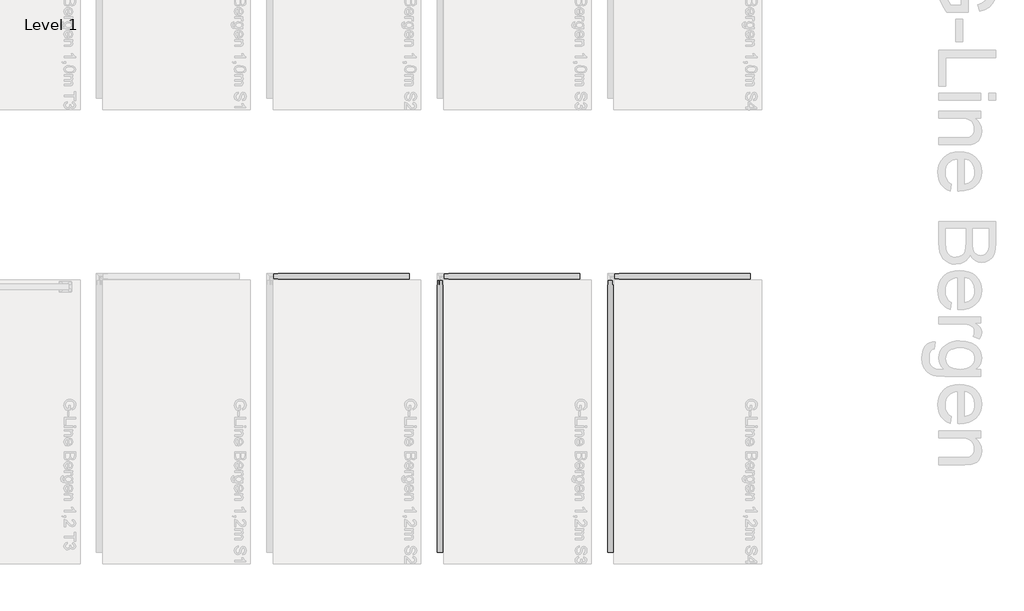
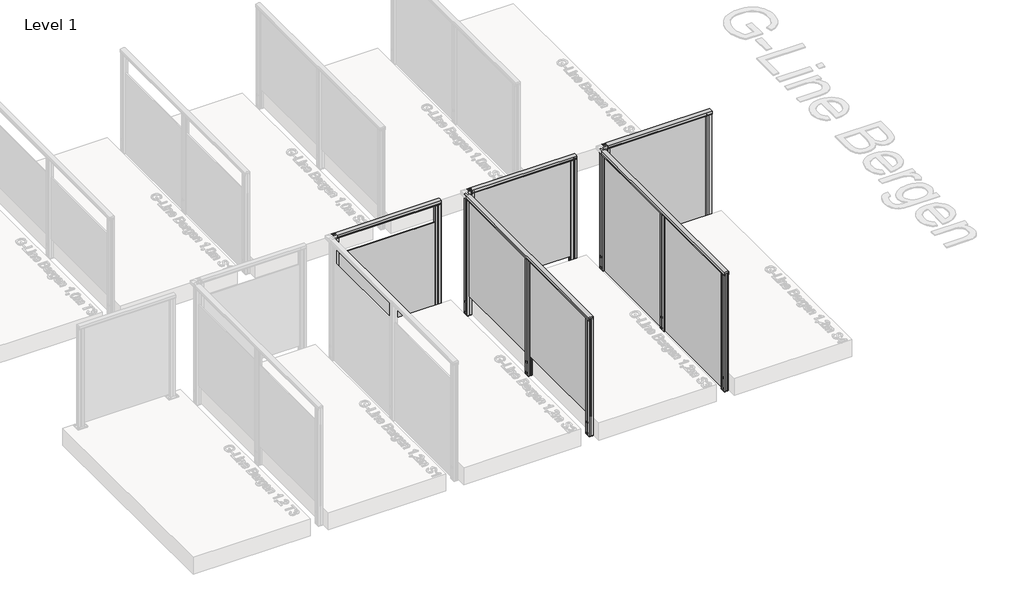
# One storey, part 4 of 13: 5 railings.
"""IFC4 building model written with IfcOpenShell, lengths in millimetres."""

from ifc_helpers import new_model, si_unit, point, frame, frame_2d, origin, place, context, project, spatial, polyline, circle_curve, trimmed, segment, composite_curve, outline, extrude, element, save

model = new_model("IFC4")

# Units and contexts
model_context = context("Model", 3, world=origin())
ifc_project = project(units=[si_unit("LENGTHUNIT", "METRE", prefix="MILLI")], contexts=[model_context])

# Site, building, storey
site = spatial("IfcSite", under=ifc_project)
building = spatial("IfcBuilding", under=site)
storey = spatial("IfcBuildingStorey", under=building, Name="Level 1", Elevation=0.0)

# Railings
placement = place(None, origin())
element("IfcRailing", 1, at=placement, inside=storey, context=model_context, shape_type="SweptSolid", body=[
    extrude(outline(composite_curve([segment(trimmed(circle_curve(frame_2d((-1608.9305341, 1142.6785502)), 57.3235687), [point((-1634.1854943, 1194.1390059))], [point((-1583.6658361, 1194.1342258))], False, "CARTESIAN"), True, "CONTINUOUS"), segment(polyline([(-1583.6658361, 1194.1342258), (-1583.6658361, 1167.0235023), (-1584.2477678, 1166.4415706), (-1583.6256867, 1165.8194895), (-1583.6256867, 1157.2498847), (-1585.4306396, 1157.2498847), (-1585.4306396, 1180.4998829), (-1632.4256858, 1180.4998829), (-1632.4256858, 1157.2498847), (-1634.1854943, 1157.2498847), (-1634.1854943, 1165.9694895), (-1633.5707113, 1166.5842725), (-1634.1854943, 1167.1990555), (-1634.1854943, 1194.1390059)]), True, "CONTINUOUS")], self_intersect=False)), frame((-1292.7109978, 0.0, 0.0), z_axis=(1.0, 0.0, 0.0), x_axis=(0.0, 1.0, 0.0)), (0.0, 0.0, 1.0), 1195.0),
    extrude(outline(polyline([(-97.7109978, -1608.7502932), (-97.7109978, -1610.6139761), (-1292.7109978, -1610.6139761), (-1292.7109978, -1608.7502932), (-97.7109978, -1608.7502932)])), frame((0.0, 0.0, -200.0), z_axis=(0.0, 0.0, 1.0), x_axis=(1.0, 0.0, 0.0)), (0.0, 0.0, 1.0), 1.1703418),
    extrude(outline(polyline([(-97.7109978, -1605.2659103), (-97.7109978, -1614.0259103), (-1292.7109978, -1614.0259103), (-1292.7109978, -1605.2659103), (-97.7109978, -1605.2659103)])), frame((0.0, 0.0, -200.0), z_axis=(0.0, 0.0, 1.0), x_axis=(1.0, 0.0, 0.0)), (0.0, 0.0, 1.0), 1150.0),
    extrude(outline(polyline([(-1292.7094047, -1613.9917723), (-1275.2094049, -1613.9943495), (-1275.2081148, -1605.2343496), (-1292.7081146, -1605.2317724), (-1292.7054557, -1587.176965), (-1263.5884687, -1587.181253), (-1262.7103053, -1588.0596751), (-1261.6724374, -1587.1413428), (-1232.7054505, -1587.1456087), (-1232.7081153, -1605.2406085), (-1250.2081151, -1605.2380313), (-1250.2094052, -1613.9980312), (-1232.7094054, -1614.0006084), (-1232.7120717, -1632.1055595), (-1261.7285472, -1632.1012863), (-1262.7166457, -1631.1128967), (-1263.7450899, -1632.141038), (-1292.7120769, -1632.1367721), (-1292.7094047, -1613.9917723)]), holes=[polyline([(-1253.9117828, -1589.1398947), (-1271.5057446, -1589.1398947), (-1271.5057446, -1630.1424862), (-1253.9117828, -1630.1424862), (-1253.9117828, -1589.1398947)]), polyline([(-1234.711783, -1615.9977809), (-1251.9096997, -1615.9977809), (-1251.9096997, -1630.1453137), (-1234.711783, -1630.1453137), (-1234.711783, -1615.9977809)]), polyline([(-1234.7078207, -1589.1398947), (-1251.9057444, -1589.1398947), (-1251.9057444, -1603.240314), (-1234.7078207, -1603.240314), (-1234.7078207, -1589.1398947)]), polyline([(-1273.5117826, -1615.9920668), (-1290.7096993, -1615.9920668), (-1290.7096993, -1630.1395997), (-1273.5117826, -1630.1395997), (-1273.5117826, -1615.9920668)]), polyline([(-1273.5078203, -1589.0870671), (-1290.705737, -1589.0870671), (-1290.705737, -1603.2346), (-1273.5078203, -1603.2346), (-1273.5078203, -1589.0870671)])]), frame((0.0, 0.0, -200.0), z_axis=(0.0, 0.0, 1.0), x_axis=(1.0, 0.0, 0.0)), (0.0, 0.0, 1.0), 1381.0),
    extrude(outline(polyline([(-1292.7094047, -1613.9917723), (-1275.2094049, -1613.9943495), (-1275.2081148, -1605.2343496), (-1292.7081146, -1605.2317724), (-1292.7054557, -1587.176965), (-1263.5884687, -1587.181253), (-1262.7103053, -1588.0596751), (-1261.6724374, -1587.1413428), (-1232.7054505, -1587.1456087), (-1232.7081153, -1605.2406085), (-1250.2081151, -1605.2380313), (-1250.2094052, -1613.9980312), (-1232.7094054, -1614.0006084), (-1232.7120717, -1632.1055595), (-1261.7285472, -1632.1012863), (-1262.7166457, -1631.1128967), (-1263.7450899, -1632.141038), (-1292.7120769, -1632.1367721), (-1292.7094047, -1613.9917723)])), frame((0.0, 0.0, -202.0233958), z_axis=(0.0, 0.0, 1.0), x_axis=(1.0, 0.0, 0.0)), (0.0, 0.0, 1.0), 2.0),
    extrude(outline(composite_curve([segment(trimmed(circle_curve(frame_2d((0.0, 12.0)), 12.0), [point((0.0, 24.0))], [point((0.0, 0.0))], False, "CARTESIAN"), True, "CONTINUOUS"), segment(trimmed(circle_curve(frame_2d((0.0, 12.0)), 12.0), [point((0.0, 0.0))], [point((0.0, 24.0))], False, "CARTESIAN"), True, "CONTINUOUS")], self_intersect=False)), frame((-1250.7019602, -1587.1864452, -175.0), z_axis=(0.00040291834470155966, 0.9999999188284006, 0.0), x_axis=(0.0, 0.0, -1.0)), (0.0, 0.0, 1.0), 3.0757477),
    extrude(outline(composite_curve([segment(trimmed(circle_curve(frame_2d((0.0, 12.0)), 12.0), [point((0.0, 24.0))], [point((0.0, 0.0))], False, "CARTESIAN"), True, "CONTINUOUS"), segment(trimmed(circle_curve(frame_2d((0.0, 12.0)), 12.0), [point((0.0, 0.0))], [point((0.0, 24.0))], False, "CARTESIAN"), True, "CONTINUOUS")], self_intersect=False)), frame((-1250.7019602, -1587.1864452, -50.0), z_axis=(0.00040291834470155966, 0.9999999188284006, 0.0), x_axis=(0.0, 0.0, -1.0)), (0.0, 0.0, 1.0), 3.0757477),
    extrude(outline(polyline([(-157.7094047, -1613.9917723), (-140.2094049, -1613.9943495), (-140.2081148, -1605.2343496), (-157.7081146, -1605.2317724), (-157.7054557, -1587.176965), (-128.5884687, -1587.181253), (-127.7103053, -1588.0596751), (-126.6724374, -1587.1413428), (-97.7054505, -1587.1456087), (-97.7081153, -1605.2406085), (-115.2081151, -1605.2380313), (-115.2094052, -1613.9980312), (-97.7094054, -1614.0006084), (-97.7120717, -1632.1055595), (-126.7285472, -1632.1012863), (-127.7166457, -1631.1128967), (-128.7450899, -1632.141038), (-157.7120769, -1632.1367721), (-157.7094047, -1613.9917723)]), holes=[polyline([(-118.9117828, -1589.1398947), (-136.5057446, -1589.1398947), (-136.5057446, -1630.1424862), (-118.9117828, -1630.1424862), (-118.9117828, -1589.1398947)]), polyline([(-99.711783, -1615.9977809), (-116.9096997, -1615.9977809), (-116.9096997, -1630.1453137), (-99.711783, -1630.1453137), (-99.711783, -1615.9977809)]), polyline([(-99.7078207, -1589.1398947), (-116.9057444, -1589.1398947), (-116.9057444, -1603.240314), (-99.7078207, -1603.240314), (-99.7078207, -1589.1398947)]), polyline([(-138.5117826, -1615.9920668), (-155.7096993, -1615.9920668), (-155.7096993, -1630.1395997), (-138.5117826, -1630.1395997), (-138.5117826, -1615.9920668)]), polyline([(-138.5078203, -1589.0870671), (-155.705737, -1589.0870671), (-155.705737, -1603.2346), (-138.5078203, -1603.2346), (-138.5078203, -1589.0870671)])]), frame((0.0, 0.0, -200.0), z_axis=(0.0, 0.0, 1.0), x_axis=(1.0, 0.0, 0.0)), (0.0, 0.0, 1.0), 1381.0),
    extrude(outline(polyline([(-157.7094047, -1613.9917723), (-140.2094049, -1613.9943495), (-140.2081148, -1605.2343496), (-157.7081146, -1605.2317724), (-157.7054557, -1587.176965), (-128.5884687, -1587.181253), (-127.7103053, -1588.0596751), (-126.6724374, -1587.1413428), (-97.7054505, -1587.1456087), (-97.7081153, -1605.2406085), (-115.2081151, -1605.2380313), (-115.2094052, -1613.9980312), (-97.7094054, -1614.0006084), (-97.7120717, -1632.1055595), (-126.7285472, -1632.1012863), (-127.7166457, -1631.1128967), (-128.7450899, -1632.141038), (-157.7120769, -1632.1367721), (-157.7094047, -1613.9917723)])), frame((0.0, 0.0, -202.0233958), z_axis=(0.0, 0.0, 1.0), x_axis=(1.0, 0.0, 0.0)), (0.0, 0.0, 1.0), 2.0),
    extrude(outline(composite_curve([segment(trimmed(circle_curve(frame_2d((0.0, 12.0)), 12.0), [point((0.0, 24.0))], [point((0.0, 0.0))], False, "CARTESIAN"), True, "CONTINUOUS"), segment(trimmed(circle_curve(frame_2d((0.0, 12.0)), 12.0), [point((0.0, 0.0))], [point((0.0, 24.0))], False, "CARTESIAN"), True, "CONTINUOUS")], self_intersect=False)), frame((-115.7019602, -1587.1864452, -175.0), z_axis=(0.00040291834470155966, 0.9999999188284006, 0.0), x_axis=(0.0, 0.0, -1.0)), (0.0, 0.0, 1.0), 3.0757477),
    extrude(outline(composite_curve([segment(trimmed(circle_curve(frame_2d((0.0, 12.0)), 12.0), [point((0.0, 24.0))], [point((0.0, 0.0))], False, "CARTESIAN"), True, "CONTINUOUS"), segment(trimmed(circle_curve(frame_2d((0.0, 12.0)), 12.0), [point((0.0, 0.0))], [point((0.0, 24.0))], False, "CARTESIAN"), True, "CONTINUOUS")], self_intersect=False)), frame((-115.7019602, -1587.1864452, -50.0), z_axis=(0.00040291834470155966, 0.9999999188284006, 0.0), x_axis=(0.0, 0.0, -1.0)), (0.0, 0.0, 1.0), 3.0757477),
])
element("IfcRailing", 2, at=placement, inside=storey, context=model_context, shape_type="SweptSolid", body=[
    extrude(outline(composite_curve([segment(trimmed(circle_curve(frame_2d((-1608.9305341, 1142.6785502)), 57.3235687), [point((-1634.1854943, 1194.1390059))], [point((-1583.6658361, 1194.1342258))], False, "CARTESIAN"), True, "CONTINUOUS"), segment(polyline([(-1583.6658361, 1194.1342258), (-1583.6658361, 1167.0235023), (-1584.2477678, 1166.4415706), (-1583.6256867, 1165.8194895), (-1583.6256867, 1157.2498847), (-1585.4306396, 1157.2498847), (-1585.4306396, 1180.4998829), (-1632.4256858, 1180.4998829), (-1632.4256858, 1157.2498847), (-1634.1854943, 1157.2498847), (-1634.1854943, 1165.9694895), (-1633.5707113, 1166.5842725), (-1634.1854943, 1167.1990555), (-1634.1854943, 1194.1390059)]), True, "CONTINUOUS")], self_intersect=False)), frame((207.2890022, 0.0, 0.0), z_axis=(1.0, 0.0, 0.0), x_axis=(0.0, 1.0, 0.0)), (0.0, 0.0, 1.0), 1195.0),
    extrude(outline(polyline([(1402.2890022, -1605.2659103), (1402.2890022, -1614.0259103), (207.2890022, -1614.0259103), (207.2890022, -1605.2659103), (1402.2890022, -1605.2659103)])), frame((0.0, 0.0, 28.0), z_axis=(0.0, 0.0, 1.0), x_axis=(1.0, 0.0, 0.0)), (0.0, 0.0, 1.0), 1152.0),
    extrude(outline(polyline([(207.2905953, -1613.9917723), (224.7905951, -1613.9943495), (224.7918852, -1605.2343496), (207.2918854, -1605.2317724), (207.2945443, -1587.176965), (236.4115313, -1587.181253), (237.2896947, -1588.0596751), (238.3275626, -1587.1413428), (267.2945495, -1587.1456087), (267.2918847, -1605.2406085), (249.7918849, -1605.2380313), (249.7905948, -1613.9980312), (267.2905946, -1614.0006084), (267.2879283, -1632.1055595), (238.2714528, -1632.1012863), (237.2833543, -1631.1128967), (236.2549101, -1632.141038), (207.2879231, -1632.1367721), (207.2905953, -1613.9917723)]), holes=[polyline([(246.0882172, -1589.1398947), (228.4942554, -1589.1398947), (228.4942554, -1630.1424862), (246.0882172, -1630.1424862), (246.0882172, -1589.1398947)]), polyline([(265.288217, -1615.9977809), (248.0903003, -1615.9977809), (248.0903003, -1630.1453137), (265.288217, -1630.1453137), (265.288217, -1615.9977809)]), polyline([(265.2921793, -1589.1398947), (248.0942556, -1589.1398947), (248.0942556, -1603.240314), (265.2921793, -1603.240314), (265.2921793, -1589.1398947)]), polyline([(226.4882174, -1615.9920668), (209.2903007, -1615.9920668), (209.2903007, -1630.1395997), (226.4882174, -1630.1395997), (226.4882174, -1615.9920668)]), polyline([(226.4921797, -1589.0870671), (209.294263, -1589.0870671), (209.294263, -1603.2346), (226.4921797, -1603.2346), (226.4921797, -1589.0870671)])]), frame((0.0, 0.0, -200.0), z_axis=(0.0, 0.0, 1.0), x_axis=(1.0, 0.0, 0.0)), (0.0, 0.0, 1.0), 1381.0),
    extrude(outline(polyline([(207.2905953, -1613.9917723), (224.7905951, -1613.9943495), (224.7918852, -1605.2343496), (207.2918854, -1605.2317724), (207.2945443, -1587.176965), (236.4115313, -1587.181253), (237.2896947, -1588.0596751), (238.3275626, -1587.1413428), (267.2945495, -1587.1456087), (267.2918847, -1605.2406085), (249.7918849, -1605.2380313), (249.7905948, -1613.9980312), (267.2905946, -1614.0006084), (267.2879283, -1632.1055595), (238.2714528, -1632.1012863), (237.2833543, -1631.1128967), (236.2549101, -1632.141038), (207.2879231, -1632.1367721), (207.2905953, -1613.9917723)])), frame((0.0, 0.0, -202.0233958), z_axis=(0.0, 0.0, 1.0), x_axis=(1.0, 0.0, 0.0)), (0.0, 0.0, 1.0), 2.0),
    extrude(outline(composite_curve([segment(trimmed(circle_curve(frame_2d((0.0, 12.0)), 12.0), [point((0.0, 24.0))], [point((0.0, 0.0))], False, "CARTESIAN"), True, "CONTINUOUS"), segment(trimmed(circle_curve(frame_2d((0.0, 12.0)), 12.0), [point((0.0, 0.0))], [point((0.0, 24.0))], False, "CARTESIAN"), True, "CONTINUOUS")], self_intersect=False)), frame((249.2980398, -1587.1864452, -175.0), z_axis=(0.00040291834470155966, 0.9999999188284006, 0.0), x_axis=(0.0, 0.0, -1.0)), (0.0, 0.0, 1.0), 3.0757477),
    extrude(outline(composite_curve([segment(trimmed(circle_curve(frame_2d((0.0, 12.0)), 12.0), [point((0.0, 24.0))], [point((0.0, 0.0))], False, "CARTESIAN"), True, "CONTINUOUS"), segment(trimmed(circle_curve(frame_2d((0.0, 12.0)), 12.0), [point((0.0, 0.0))], [point((0.0, 24.0))], False, "CARTESIAN"), True, "CONTINUOUS")], self_intersect=False)), frame((249.2980398, -1587.1864452, -50.0), z_axis=(0.00040291834470155966, 0.9999999188284006, 0.0), x_axis=(0.0, 0.0, -1.0)), (0.0, 0.0, 1.0), 3.0757477),
    extrude(outline(polyline([(1342.2905953, -1613.9917723), (1359.7905951, -1613.9943495), (1359.7918852, -1605.2343496), (1342.2918854, -1605.2317724), (1342.2945443, -1587.176965), (1371.4115313, -1587.181253), (1372.2896947, -1588.0596751), (1373.3275626, -1587.1413428), (1402.2945495, -1587.1456087), (1402.2918847, -1605.2406085), (1384.7918849, -1605.2380313), (1384.7905948, -1613.9980312), (1402.2905946, -1614.0006084), (1402.2879283, -1632.1055595), (1373.2714528, -1632.1012863), (1372.2833543, -1631.1128967), (1371.2549101, -1632.141038), (1342.2879231, -1632.1367721), (1342.2905953, -1613.9917723)]), holes=[polyline([(1381.0882172, -1589.1398947), (1363.4942554, -1589.1398947), (1363.4942554, -1630.1424862), (1381.0882172, -1630.1424862), (1381.0882172, -1589.1398947)]), polyline([(1400.288217, -1615.9977809), (1383.0903003, -1615.9977809), (1383.0903003, -1630.1453137), (1400.288217, -1630.1453137), (1400.288217, -1615.9977809)]), polyline([(1400.2921793, -1589.1398947), (1383.0942556, -1589.1398947), (1383.0942556, -1603.240314), (1400.2921793, -1603.240314), (1400.2921793, -1589.1398947)]), polyline([(1361.4882174, -1615.9920668), (1344.2903007, -1615.9920668), (1344.2903007, -1630.1395997), (1361.4882174, -1630.1395997), (1361.4882174, -1615.9920668)]), polyline([(1361.4921797, -1589.0870671), (1344.294263, -1589.0870671), (1344.294263, -1603.2346), (1361.4921797, -1603.2346), (1361.4921797, -1589.0870671)])]), frame((0.0, 0.0, -200.0), z_axis=(0.0, 0.0, 1.0), x_axis=(1.0, 0.0, 0.0)), (0.0, 0.0, 1.0), 1381.0),
    extrude(outline(polyline([(1342.2905953, -1613.9917723), (1359.7905951, -1613.9943495), (1359.7918852, -1605.2343496), (1342.2918854, -1605.2317724), (1342.2945443, -1587.176965), (1371.4115313, -1587.181253), (1372.2896947, -1588.0596751), (1373.3275626, -1587.1413428), (1402.2945495, -1587.1456087), (1402.2918847, -1605.2406085), (1384.7918849, -1605.2380313), (1384.7905948, -1613.9980312), (1402.2905946, -1614.0006084), (1402.2879283, -1632.1055595), (1373.2714528, -1632.1012863), (1372.2833543, -1631.1128967), (1371.2549101, -1632.141038), (1342.2879231, -1632.1367721), (1342.2905953, -1613.9917723)])), frame((0.0, 0.0, -202.0233958), z_axis=(0.0, 0.0, 1.0), x_axis=(1.0, 0.0, 0.0)), (0.0, 0.0, 1.0), 2.0),
    extrude(outline(composite_curve([segment(trimmed(circle_curve(frame_2d((0.0, 12.0)), 12.0), [point((0.0, 24.0))], [point((0.0, 0.0))], False, "CARTESIAN"), True, "CONTINUOUS"), segment(trimmed(circle_curve(frame_2d((0.0, 12.0)), 12.0), [point((0.0, 0.0))], [point((0.0, 24.0))], False, "CARTESIAN"), True, "CONTINUOUS")], self_intersect=False)), frame((1384.2980398, -1587.1864452, -175.0), z_axis=(0.00040291834470155966, 0.9999999188284006, 0.0), x_axis=(0.0, 0.0, -1.0)), (0.0, 0.0, 1.0), 3.0757477),
    extrude(outline(composite_curve([segment(trimmed(circle_curve(frame_2d((0.0, 12.0)), 12.0), [point((0.0, 24.0))], [point((0.0, 0.0))], False, "CARTESIAN"), True, "CONTINUOUS"), segment(trimmed(circle_curve(frame_2d((0.0, 12.0)), 12.0), [point((0.0, 0.0))], [point((0.0, 24.0))], False, "CARTESIAN"), True, "CONTINUOUS")], self_intersect=False)), frame((1384.2980398, -1587.1864452, -50.0), z_axis=(0.00040291834470155966, 0.9999999188284006, 0.0), x_axis=(0.0, 0.0, -1.0)), (0.0, 0.0, 1.0), 3.0757477),
])
element("IfcRailing", 3, at=placement, inside=storey, context=model_context, shape_type="SweptSolid", body=[
    extrude(outline(composite_curve([segment(trimmed(circle_curve(frame_2d((57.3214498, -0.0047199)), 57.3235687), [point((5.8609941, -25.2596802))], [point((5.8657742, 25.2599781))], False, "CARTESIAN"), True, "CONTINUOUS"), segment(polyline([(5.8657742, 25.2599781), (32.9764977, 25.2599781), (33.5584294, 24.6780463), (34.1805105, 25.3001274), (42.7501153, 25.3001274), (42.7501153, 23.4951745), (19.5001171, 23.4951745), (19.5001171, -23.4998716), (42.7501153, -23.4998716), (42.7501153, -25.2596802), (34.0305105, -25.2596802), (33.4157275, -24.6448972), (32.8009445, -25.2596802), (5.8609941, -25.2596802)]), True, "CONTINUOUS")], self_intersect=False)), frame((171.568906, -4039.6459103, 1200.0), z_axis=(1.9358301858992035e-12, 1.0, 0.0), x_axis=(0.0, 0.0, -1.0)), (0.0, 0.0, 1.0), 2395.0),
    extrude(outline(polyline([(167.9090022, -1644.6459103), (176.6690022, -1644.6459103), (176.6690022, -4039.6459103), (167.9090022, -4039.6459103), (167.9090022, -1644.6459103)])), frame((0.0, 0.0, 28.0), z_axis=(0.0, 0.0, 1.0), x_axis=(1.0, 0.0, 0.0)), (0.0, 0.0, 1.0), 1152.0),
    extrude(outline(polyline([(176.6348642, -2872.1443172), (176.6374414, -2854.6443174), (167.8774415, -2854.6430273), (167.8748643, -2872.1430272), (149.8200568, -2872.1403682), (149.8243449, -2843.0233813), (150.702767, -2842.1452178), (149.7844347, -2841.10735), (149.7887006, -2812.140363), (167.8837004, -2812.1430278), (167.8811232, -2829.6430276), (176.6411231, -2829.6443177), (176.6437003, -2812.1443179), (194.7486514, -2812.1469842), (194.7443782, -2841.1634597), (193.7559886, -2842.1515582), (194.7841299, -2843.1800024), (194.779864, -2872.1469894), (176.6348642, -2872.1443172)]), holes=[polyline([(151.7829865, -2833.3466953), (151.7829865, -2850.9406571), (192.785578, -2850.9406571), (192.785578, -2833.3466953), (151.7829865, -2833.3466953)]), polyline([(178.6408727, -2814.1466955), (178.6408727, -2831.3446122), (192.7884056, -2831.3446122), (192.7884056, -2814.1466955), (178.6408727, -2814.1466955)]), polyline([(151.7829865, -2814.1427333), (151.7829865, -2831.3406569), (165.8834059, -2831.3406569), (165.8834059, -2814.1427333), (151.7829865, -2814.1427333)]), polyline([(178.6351587, -2852.9466951), (178.6351587, -2870.1446118), (192.7826916, -2870.1446118), (192.7826916, -2852.9466951), (178.6351587, -2852.9466951)]), polyline([(151.730159, -2852.9427328), (151.730159, -2870.1406495), (165.8776918, -2870.1406495), (165.8776918, -2852.9427328), (151.730159, -2852.9427328)])]), frame((0.0, 0.0, -200.0), z_axis=(0.0, 0.0, 1.0), x_axis=(1.0, 0.0, 0.0)), (0.0, 0.0, 1.0), 1381.0),
    extrude(outline(polyline([(176.6348642, -2872.1443172), (176.6374414, -2854.6443174), (167.8774415, -2854.6430273), (167.8748643, -2872.1430272), (149.8200568, -2872.1403682), (149.8243449, -2843.0233813), (150.702767, -2842.1452178), (149.7844347, -2841.10735), (149.7887006, -2812.140363), (167.8837004, -2812.1430278), (167.8811232, -2829.6430276), (176.6411231, -2829.6443177), (176.6437003, -2812.1443179), (194.7486514, -2812.1469842), (194.7443782, -2841.1634597), (193.7559886, -2842.1515582), (194.7841299, -2843.1800024), (194.779864, -2872.1469894), (176.6348642, -2872.1443172)])), frame((0.0, 0.0, -202.0233958), z_axis=(0.0, 0.0, 1.0), x_axis=(1.0, 0.0, 0.0)), (0.0, 0.0, 1.0), 2.0),
    extrude(outline(composite_curve([segment(trimmed(circle_curve(frame_2d((0.0, 12.0000001)), 12.0), [point((0.0, 24.0))], [point((0.0, 0.0))], False, "CARTESIAN"), True, "CONTINUOUS"), segment(trimmed(circle_curve(frame_2d((0.0, 12.0000001)), 12.0), [point((0.0, 0.0))], [point((0.0, 24.0))], False, "CARTESIAN"), True, "CONTINUOUS")], self_intersect=False)), frame((149.8295371, -2830.1368727, -175.0), z_axis=(-0.9999999188283998, 0.0004029183466235713, 0.0), x_axis=(0.0, 0.0, -1.0)), (0.0, 0.0, 1.0), 3.0757477),
    extrude(outline(composite_curve([segment(trimmed(circle_curve(frame_2d((0.0, 12.0000001)), 12.0), [point((0.0, 24.0))], [point((0.0, 0.0))], False, "CARTESIAN"), True, "CONTINUOUS"), segment(trimmed(circle_curve(frame_2d((0.0, 12.0000001)), 12.0), [point((0.0, 0.0))], [point((0.0, 24.0))], False, "CARTESIAN"), True, "CONTINUOUS")], self_intersect=False)), frame((149.8295371, -2830.1368727, -50.0), z_axis=(-0.9999999188283998, 0.0004029183466235713, 0.0), x_axis=(0.0, 0.0, -1.0)), (0.0, 0.0, 1.0), 3.0757477),
    extrude(outline(polyline([(176.6348642, -4039.6443172), (176.6374414, -4022.1443174), (167.8774415, -4022.1430273), (167.8748643, -4039.6430272), (149.8200568, -4039.6403682), (149.8243449, -4010.5233813), (150.702767, -4009.6452178), (149.7844347, -4008.60735), (149.7887006, -3979.640363), (167.8837004, -3979.6430278), (167.8811232, -3997.1430276), (176.6411231, -3997.1443177), (176.6437003, -3979.6443179), (194.7486514, -3979.6469842), (194.7443782, -4008.6634597), (193.7559886, -4009.6515582), (194.7841299, -4010.6800024), (194.779864, -4039.6469894), (176.6348642, -4039.6443172)]), holes=[polyline([(151.7829865, -4000.8466953), (151.7829865, -4018.4406571), (192.785578, -4018.4406571), (192.785578, -4000.8466953), (151.7829865, -4000.8466953)]), polyline([(178.6408727, -3981.6466955), (178.6408727, -3998.8446122), (192.7884056, -3998.8446122), (192.7884056, -3981.6466955), (178.6408727, -3981.6466955)]), polyline([(151.7829865, -3981.6427333), (151.7829865, -3998.8406569), (165.8834059, -3998.8406569), (165.8834059, -3981.6427333), (151.7829865, -3981.6427333)]), polyline([(178.6351587, -4020.4466951), (178.6351587, -4037.6446118), (192.7826916, -4037.6446118), (192.7826916, -4020.4466951), (178.6351587, -4020.4466951)]), polyline([(151.730159, -4020.4427328), (151.730159, -4037.6406495), (165.8776918, -4037.6406495), (165.8776918, -4020.4427328), (151.730159, -4020.4427328)])]), frame((0.0, 0.0, -200.0), z_axis=(0.0, 0.0, 1.0), x_axis=(1.0, 0.0, 0.0)), (0.0, 0.0, 1.0), 1381.0),
    extrude(outline(polyline([(176.6348642, -4039.6443172), (176.6374414, -4022.1443174), (167.8774415, -4022.1430273), (167.8748643, -4039.6430272), (149.8200568, -4039.6403682), (149.8243449, -4010.5233813), (150.702767, -4009.6452178), (149.7844347, -4008.60735), (149.7887006, -3979.640363), (167.8837004, -3979.6430278), (167.8811232, -3997.1430276), (176.6411231, -3997.1443177), (176.6437003, -3979.6443179), (194.7486514, -3979.6469842), (194.7443782, -4008.6634597), (193.7559886, -4009.6515582), (194.7841299, -4010.6800024), (194.779864, -4039.6469894), (176.6348642, -4039.6443172)])), frame((0.0, 0.0, -202.0233958), z_axis=(0.0, 0.0, 1.0), x_axis=(1.0, 0.0, 0.0)), (0.0, 0.0, 1.0), 2.0),
    extrude(outline(composite_curve([segment(trimmed(circle_curve(frame_2d((0.0, 12.0000001)), 12.0), [point((0.0, 24.0))], [point((0.0, 0.0))], False, "CARTESIAN"), True, "CONTINUOUS"), segment(trimmed(circle_curve(frame_2d((0.0, 12.0000001)), 12.0), [point((0.0, 0.0))], [point((0.0, 24.0))], False, "CARTESIAN"), True, "CONTINUOUS")], self_intersect=False)), frame((149.8295371, -3997.6368727, -175.0), z_axis=(-0.9999999188283998, 0.0004029183466235713, 0.0), x_axis=(0.0, 0.0, -1.0)), (0.0, 0.0, 1.0), 3.0757477),
    extrude(outline(composite_curve([segment(trimmed(circle_curve(frame_2d((0.0, 12.0000001)), 12.0), [point((0.0, 24.0))], [point((0.0, 0.0))], False, "CARTESIAN"), True, "CONTINUOUS"), segment(trimmed(circle_curve(frame_2d((0.0, 12.0000001)), 12.0), [point((0.0, 0.0))], [point((0.0, 24.0))], False, "CARTESIAN"), True, "CONTINUOUS")], self_intersect=False)), frame((149.8295371, -3997.6368727, -50.0), z_axis=(-0.9999999188283998, 0.0004029183466235713, 0.0), x_axis=(0.0, 0.0, -1.0)), (0.0, 0.0, 1.0), 3.0757477),
    extrude(outline(polyline([(176.6348642, -1704.6443172), (176.6374414, -1687.1443174), (167.8774415, -1687.1430273), (167.8748643, -1704.6430272), (149.8200568, -1704.6403682), (149.8243449, -1675.5233813), (150.702767, -1674.6452178), (149.7844347, -1673.60735), (149.7887006, -1644.640363), (167.8837004, -1644.6430278), (167.8811232, -1662.1430276), (176.6411231, -1662.1443177), (176.6437003, -1644.6443179), (194.7486514, -1644.6469842), (194.7443782, -1673.6634597), (193.7559886, -1674.6515582), (194.7841299, -1675.6800024), (194.779864, -1704.6469894), (176.6348642, -1704.6443172)]), holes=[polyline([(151.7829865, -1665.8466953), (151.7829865, -1683.4406571), (192.785578, -1683.4406571), (192.785578, -1665.8466953), (151.7829865, -1665.8466953)]), polyline([(178.6408727, -1646.6466955), (178.6408727, -1663.8446122), (192.7884056, -1663.8446122), (192.7884056, -1646.6466955), (178.6408727, -1646.6466955)]), polyline([(151.7829865, -1646.6427333), (151.7829865, -1663.8406569), (165.8834059, -1663.8406569), (165.8834059, -1646.6427333), (151.7829865, -1646.6427333)]), polyline([(178.6351587, -1685.4466951), (178.6351587, -1702.6446118), (192.7826916, -1702.6446118), (192.7826916, -1685.4466951), (178.6351587, -1685.4466951)]), polyline([(151.730159, -1685.4427328), (151.730159, -1702.6406495), (165.8776918, -1702.6406495), (165.8776918, -1685.4427328), (151.730159, -1685.4427328)])]), frame((0.0, 0.0, -200.0), z_axis=(0.0, 0.0, 1.0), x_axis=(1.0, 0.0, 0.0)), (0.0, 0.0, 1.0), 1381.0),
    extrude(outline(polyline([(176.6348642, -1704.6443172), (176.6374414, -1687.1443174), (167.8774415, -1687.1430273), (167.8748643, -1704.6430272), (149.8200568, -1704.6403682), (149.8243449, -1675.5233813), (150.702767, -1674.6452178), (149.7844347, -1673.60735), (149.7887006, -1644.640363), (167.8837004, -1644.6430278), (167.8811232, -1662.1430276), (176.6411231, -1662.1443177), (176.6437003, -1644.6443179), (194.7486514, -1644.6469842), (194.7443782, -1673.6634597), (193.7559886, -1674.6515582), (194.7841299, -1675.6800024), (194.779864, -1704.6469894), (176.6348642, -1704.6443172)])), frame((0.0, 0.0, -202.0233958), z_axis=(0.0, 0.0, 1.0), x_axis=(1.0, 0.0, 0.0)), (0.0, 0.0, 1.0), 2.0),
    extrude(outline(composite_curve([segment(trimmed(circle_curve(frame_2d((0.0, 12.0000001)), 12.0), [point((0.0, 24.0))], [point((0.0, 0.0))], False, "CARTESIAN"), True, "CONTINUOUS"), segment(trimmed(circle_curve(frame_2d((0.0, 12.0000001)), 12.0), [point((0.0, 0.0))], [point((0.0, 24.0))], False, "CARTESIAN"), True, "CONTINUOUS")], self_intersect=False)), frame((149.8295371, -1662.6368727, -175.0), z_axis=(-0.9999999188283998, 0.0004029183466235713, 0.0), x_axis=(0.0, 0.0, -1.0)), (0.0, 0.0, 1.0), 3.0757477),
    extrude(outline(composite_curve([segment(trimmed(circle_curve(frame_2d((0.0, 12.0000001)), 12.0), [point((0.0, 24.0))], [point((0.0, 0.0))], False, "CARTESIAN"), True, "CONTINUOUS"), segment(trimmed(circle_curve(frame_2d((0.0, 12.0000001)), 12.0), [point((0.0, 0.0))], [point((0.0, 24.0))], False, "CARTESIAN"), True, "CONTINUOUS")], self_intersect=False)), frame((149.8295371, -1662.6368727, -50.0), z_axis=(-0.9999999188283998, 0.0004029183466235713, 0.0), x_axis=(0.0, 0.0, -1.0)), (0.0, 0.0, 1.0), 3.0757477),
])
element("IfcRailing", 4, at=placement, inside=storey, context=model_context, shape_type="SweptSolid", body=[
    extrude(outline(composite_curve([segment(trimmed(circle_curve(frame_2d((-1608.9305341, 1142.6785502)), 57.3235687), [point((-1634.1854943, 1194.1390059))], [point((-1583.6658361, 1194.1342258))], False, "CARTESIAN"), True, "CONTINUOUS"), segment(polyline([(-1583.6658361, 1194.1342258), (-1583.6658361, 1167.0235023), (-1584.2477678, 1166.4415706), (-1583.6256867, 1165.8194895), (-1583.6256867, 1157.2498847), (-1585.4306396, 1157.2498847), (-1585.4306396, 1180.4998829), (-1632.4256858, 1180.4998829), (-1632.4256858, 1157.2498847), (-1634.1854943, 1157.2498847), (-1634.1854943, 1165.9694895), (-1633.5707113, 1166.5842725), (-1634.1854943, 1167.1990555), (-1634.1854943, 1194.1390059)]), True, "CONTINUOUS")], self_intersect=False)), frame((1707.2890022, 0.0, 0.0), z_axis=(1.0, 0.0, 0.0), x_axis=(0.0, 1.0, 0.0)), (0.0, 0.0, 1.0), 1195.0),
    extrude(outline(polyline([(2902.2890022, -1608.7502932), (2902.2890022, -1610.6139761), (1707.2890022, -1610.6139761), (1707.2890022, -1608.7502932), (2902.2890022, -1608.7502932)])), frame((0.0, 0.0, -200.0), z_axis=(0.0, 0.0, 1.0), x_axis=(1.0, 0.0, 0.0)), (0.0, 0.0, 1.0), 1.1703418),
    extrude(outline(polyline([(2902.2890022, -1605.2659103), (2902.2890022, -1614.0259103), (1707.2890022, -1614.0259103), (1707.2890022, -1605.2659103), (2902.2890022, -1605.2659103)])), frame((0.0, 0.0, -200.0), z_axis=(0.0, 0.0, 1.0), x_axis=(1.0, 0.0, 0.0)), (0.0, 0.0, 1.0), 1380.0),
    extrude(outline(polyline([(1707.2905953, -1613.9917723), (1724.7905951, -1613.9943495), (1724.7918852, -1605.2343496), (1707.2918854, -1605.2317724), (1707.2945443, -1587.176965), (1736.4115313, -1587.181253), (1737.2896947, -1588.0596751), (1738.3275626, -1587.1413428), (1767.2945495, -1587.1456087), (1767.2918847, -1605.2406085), (1749.7918849, -1605.2380313), (1749.7905948, -1613.9980312), (1767.2905946, -1614.0006084), (1767.2879283, -1632.1055595), (1738.2714528, -1632.1012863), (1737.2833543, -1631.1128967), (1736.2549101, -1632.141038), (1707.2879231, -1632.1367721), (1707.2905953, -1613.9917723)]), holes=[polyline([(1746.0882172, -1589.1398947), (1728.4942554, -1589.1398947), (1728.4942554, -1630.1424862), (1746.0882172, -1630.1424862), (1746.0882172, -1589.1398947)]), polyline([(1765.288217, -1615.9977809), (1748.0903003, -1615.9977809), (1748.0903003, -1630.1453137), (1765.288217, -1630.1453137), (1765.288217, -1615.9977809)]), polyline([(1765.2921793, -1589.1398947), (1748.0942556, -1589.1398947), (1748.0942556, -1603.240314), (1765.2921793, -1603.240314), (1765.2921793, -1589.1398947)]), polyline([(1726.4882174, -1615.9920668), (1709.2903007, -1615.9920668), (1709.2903007, -1630.1395997), (1726.4882174, -1630.1395997), (1726.4882174, -1615.9920668)]), polyline([(1726.4921797, -1589.0870671), (1709.294263, -1589.0870671), (1709.294263, -1603.2346), (1726.4921797, -1603.2346), (1726.4921797, -1589.0870671)])]), frame((0.0, 0.0, -200.0), z_axis=(0.0, 0.0, 1.0), x_axis=(1.0, 0.0, 0.0)), (0.0, 0.0, 1.0), 1381.0),
    extrude(outline(polyline([(1707.2905953, -1613.9917723), (1724.7905951, -1613.9943495), (1724.7918852, -1605.2343496), (1707.2918854, -1605.2317724), (1707.2945443, -1587.176965), (1736.4115313, -1587.181253), (1737.2896947, -1588.0596751), (1738.3275626, -1587.1413428), (1767.2945495, -1587.1456087), (1767.2918847, -1605.2406085), (1749.7918849, -1605.2380313), (1749.7905948, -1613.9980312), (1767.2905946, -1614.0006084), (1767.2879283, -1632.1055595), (1738.2714528, -1632.1012863), (1737.2833543, -1631.1128967), (1736.2549101, -1632.141038), (1707.2879231, -1632.1367721), (1707.2905953, -1613.9917723)])), frame((0.0, 0.0, -202.0233958), z_axis=(0.0, 0.0, 1.0), x_axis=(1.0, 0.0, 0.0)), (0.0, 0.0, 1.0), 2.0),
    extrude(outline(composite_curve([segment(trimmed(circle_curve(frame_2d((0.0, 12.0)), 12.0), [point((0.0, 24.0))], [point((0.0, 0.0))], False, "CARTESIAN"), True, "CONTINUOUS"), segment(trimmed(circle_curve(frame_2d((0.0, 12.0)), 12.0), [point((0.0, 0.0))], [point((0.0, 24.0))], False, "CARTESIAN"), True, "CONTINUOUS")], self_intersect=False)), frame((1749.2980398, -1587.1864452, -175.0), z_axis=(0.00040291834470155966, 0.9999999188284006, 0.0), x_axis=(0.0, 0.0, -1.0)), (0.0, 0.0, 1.0), 3.0757477),
    extrude(outline(composite_curve([segment(trimmed(circle_curve(frame_2d((0.0, 12.0)), 12.0), [point((0.0, 24.0))], [point((0.0, 0.0))], False, "CARTESIAN"), True, "CONTINUOUS"), segment(trimmed(circle_curve(frame_2d((0.0, 12.0)), 12.0), [point((0.0, 0.0))], [point((0.0, 24.0))], False, "CARTESIAN"), True, "CONTINUOUS")], self_intersect=False)), frame((1749.2980398, -1587.1864452, -50.0), z_axis=(0.00040291834470155966, 0.9999999188284006, 0.0), x_axis=(0.0, 0.0, -1.0)), (0.0, 0.0, 1.0), 3.0757477),
    extrude(outline(polyline([(2842.2905953, -1613.9917723), (2859.7905951, -1613.9943495), (2859.7918852, -1605.2343496), (2842.2918854, -1605.2317724), (2842.2945443, -1587.176965), (2871.4115313, -1587.181253), (2872.2896947, -1588.0596751), (2873.3275626, -1587.1413428), (2902.2945495, -1587.1456087), (2902.2918847, -1605.2406085), (2884.7918849, -1605.2380313), (2884.7905948, -1613.9980312), (2902.2905946, -1614.0006084), (2902.2879283, -1632.1055595), (2873.2714528, -1632.1012863), (2872.2833543, -1631.1128967), (2871.2549101, -1632.141038), (2842.2879231, -1632.1367721), (2842.2905953, -1613.9917723)]), holes=[polyline([(2881.0882172, -1589.1398947), (2863.4942554, -1589.1398947), (2863.4942554, -1630.1424862), (2881.0882172, -1630.1424862), (2881.0882172, -1589.1398947)]), polyline([(2900.288217, -1615.9977809), (2883.0903003, -1615.9977809), (2883.0903003, -1630.1453137), (2900.288217, -1630.1453137), (2900.288217, -1615.9977809)]), polyline([(2900.2921793, -1589.1398947), (2883.0942556, -1589.1398947), (2883.0942556, -1603.240314), (2900.2921793, -1603.240314), (2900.2921793, -1589.1398947)]), polyline([(2861.4882174, -1615.9920668), (2844.2903007, -1615.9920668), (2844.2903007, -1630.1395997), (2861.4882174, -1630.1395997), (2861.4882174, -1615.9920668)]), polyline([(2861.4921797, -1589.0870671), (2844.294263, -1589.0870671), (2844.294263, -1603.2346), (2861.4921797, -1603.2346), (2861.4921797, -1589.0870671)])]), frame((0.0, 0.0, -200.0), z_axis=(0.0, 0.0, 1.0), x_axis=(1.0, 0.0, 0.0)), (0.0, 0.0, 1.0), 1381.0),
    extrude(outline(polyline([(2842.2905953, -1613.9917723), (2859.7905951, -1613.9943495), (2859.7918852, -1605.2343496), (2842.2918854, -1605.2317724), (2842.2945443, -1587.176965), (2871.4115313, -1587.181253), (2872.2896947, -1588.0596751), (2873.3275626, -1587.1413428), (2902.2945495, -1587.1456087), (2902.2918847, -1605.2406085), (2884.7918849, -1605.2380313), (2884.7905948, -1613.9980312), (2902.2905946, -1614.0006084), (2902.2879283, -1632.1055595), (2873.2714528, -1632.1012863), (2872.2833543, -1631.1128967), (2871.2549101, -1632.141038), (2842.2879231, -1632.1367721), (2842.2905953, -1613.9917723)])), frame((0.0, 0.0, -202.0233958), z_axis=(0.0, 0.0, 1.0), x_axis=(1.0, 0.0, 0.0)), (0.0, 0.0, 1.0), 2.0),
    extrude(outline(composite_curve([segment(trimmed(circle_curve(frame_2d((0.0, 12.0)), 12.0), [point((0.0, 24.0))], [point((0.0, 0.0))], False, "CARTESIAN"), True, "CONTINUOUS"), segment(trimmed(circle_curve(frame_2d((0.0, 12.0)), 12.0), [point((0.0, 0.0))], [point((0.0, 24.0))], False, "CARTESIAN"), True, "CONTINUOUS")], self_intersect=False)), frame((2884.2980398, -1587.1864452, -175.0), z_axis=(0.00040291834470155966, 0.9999999188284006, 0.0), x_axis=(0.0, 0.0, -1.0)), (0.0, 0.0, 1.0), 3.0757477),
    extrude(outline(composite_curve([segment(trimmed(circle_curve(frame_2d((0.0, 12.0)), 12.0), [point((0.0, 24.0))], [point((0.0, 0.0))], False, "CARTESIAN"), True, "CONTINUOUS"), segment(trimmed(circle_curve(frame_2d((0.0, 12.0)), 12.0), [point((0.0, 0.0))], [point((0.0, 24.0))], False, "CARTESIAN"), True, "CONTINUOUS")], self_intersect=False)), frame((2884.2980398, -1587.1864452, -50.0), z_axis=(0.00040291834470155966, 0.9999999188284006, 0.0), x_axis=(0.0, 0.0, -1.0)), (0.0, 0.0, 1.0), 3.0757477),
])
element("IfcRailing", 5, at=placement, inside=storey, context=model_context, shape_type="SweptSolid", body=[
    extrude(outline(composite_curve([segment(trimmed(circle_curve(frame_2d((57.3214498, -0.0047199)), 57.3235687), [point((5.8609941, -25.2596802))], [point((5.8657742, 25.2599781))], False, "CARTESIAN"), True, "CONTINUOUS"), segment(polyline([(5.8657742, 25.2599781), (32.9764977, 25.2599781), (33.5584294, 24.6780463), (34.1805105, 25.3001274), (42.7501153, 25.3001274), (42.7501153, 23.4951745), (19.5001171, 23.4951745), (19.5001171, -23.4998716), (42.7501153, -23.4998716), (42.7501153, -25.2596802), (34.0305105, -25.2596802), (33.4157275, -24.6448972), (32.8009445, -25.2596802), (5.8609941, -25.2596802)]), True, "CONTINUOUS")], self_intersect=False)), frame((1671.568906, -4039.6459103, 1200.0), z_axis=(1.9358301858992035e-12, 1.0, 0.0), x_axis=(0.0, 0.0, -1.0)), (0.0, 0.0, 1.0), 2395.0),
    extrude(outline(polyline([(1671.3933851, -1644.6459103), (1673.257068, -1644.6459103), (1673.257068, -4039.6459103), (1671.3933851, -4039.6459103), (1671.3933851, -1644.6459103)])), frame((0.0, 0.0, -200.0), z_axis=(0.0, 0.0, 1.0), x_axis=(1.0, 0.0, 0.0)), (0.0, 0.0, 1.0), 1.1703418),
    extrude(outline(polyline([(1667.9090022, -1644.6459103), (1676.6690022, -1644.6459103), (1676.6690022, -4039.6459103), (1667.9090022, -4039.6459103), (1667.9090022, -1644.6459103)])), frame((0.0, 0.0, -200.0), z_axis=(0.0, 0.0, 1.0), x_axis=(1.0, 0.0, 0.0)), (0.0, 0.0, 1.0), 1380.0),
    extrude(outline(polyline([(1676.6348642, -2872.1443172), (1676.6374414, -2854.6443174), (1667.8774415, -2854.6430273), (1667.8748643, -2872.1430272), (1649.8200568, -2872.1403682), (1649.8243449, -2843.0233813), (1650.702767, -2842.1452178), (1649.7844347, -2841.10735), (1649.7887006, -2812.140363), (1667.8837004, -2812.1430278), (1667.8811232, -2829.6430276), (1676.6411231, -2829.6443177), (1676.6437003, -2812.1443179), (1694.7486514, -2812.1469842), (1694.7443782, -2841.1634597), (1693.7559886, -2842.1515582), (1694.7841299, -2843.1800024), (1694.779864, -2872.1469894), (1676.6348642, -2872.1443172)]), holes=[polyline([(1651.7829865, -2833.3466953), (1651.7829865, -2850.9406571), (1692.785578, -2850.9406571), (1692.785578, -2833.3466953), (1651.7829865, -2833.3466953)]), polyline([(1678.6408727, -2814.1466955), (1678.6408727, -2831.3446122), (1692.7884056, -2831.3446122), (1692.7884056, -2814.1466955), (1678.6408727, -2814.1466955)]), polyline([(1651.7829865, -2814.1427333), (1651.7829865, -2831.3406569), (1665.8834059, -2831.3406569), (1665.8834059, -2814.1427333), (1651.7829865, -2814.1427333)]), polyline([(1678.6351587, -2852.9466951), (1678.6351587, -2870.1446118), (1692.7826916, -2870.1446118), (1692.7826916, -2852.9466951), (1678.6351587, -2852.9466951)]), polyline([(1651.730159, -2852.9427328), (1651.730159, -2870.1406495), (1665.8776918, -2870.1406495), (1665.8776918, -2852.9427328), (1651.730159, -2852.9427328)])]), frame((0.0, 0.0, -200.0), z_axis=(0.0, 0.0, 1.0), x_axis=(1.0, 0.0, 0.0)), (0.0, 0.0, 1.0), 1381.0),
    extrude(outline(polyline([(1676.6348642, -2872.1443172), (1676.6374414, -2854.6443174), (1667.8774415, -2854.6430273), (1667.8748643, -2872.1430272), (1649.8200568, -2872.1403682), (1649.8243449, -2843.0233813), (1650.702767, -2842.1452178), (1649.7844347, -2841.10735), (1649.7887006, -2812.140363), (1667.8837004, -2812.1430278), (1667.8811232, -2829.6430276), (1676.6411231, -2829.6443177), (1676.6437003, -2812.1443179), (1694.7486514, -2812.1469842), (1694.7443782, -2841.1634597), (1693.7559886, -2842.1515582), (1694.7841299, -2843.1800024), (1694.779864, -2872.1469894), (1676.6348642, -2872.1443172)])), frame((0.0, 0.0, -202.0233958), z_axis=(0.0, 0.0, 1.0), x_axis=(1.0, 0.0, 0.0)), (0.0, 0.0, 1.0), 2.0),
    extrude(outline(composite_curve([segment(trimmed(circle_curve(frame_2d((0.0, 12.0000001)), 12.0), [point((0.0, 24.0))], [point((0.0, 0.0))], False, "CARTESIAN"), True, "CONTINUOUS"), segment(trimmed(circle_curve(frame_2d((0.0, 12.0000001)), 12.0), [point((0.0, 0.0))], [point((0.0, 24.0))], False, "CARTESIAN"), True, "CONTINUOUS")], self_intersect=False)), frame((1649.8295371, -2830.1368727, -175.0), z_axis=(-0.9999999188283998, 0.0004029183466235713, 0.0), x_axis=(0.0, 0.0, -1.0)), (0.0, 0.0, 1.0), 3.0757477),
    extrude(outline(composite_curve([segment(trimmed(circle_curve(frame_2d((0.0, 12.0000001)), 12.0), [point((0.0, 24.0))], [point((0.0, 0.0))], False, "CARTESIAN"), True, "CONTINUOUS"), segment(trimmed(circle_curve(frame_2d((0.0, 12.0000001)), 12.0), [point((0.0, 0.0))], [point((0.0, 24.0))], False, "CARTESIAN"), True, "CONTINUOUS")], self_intersect=False)), frame((1649.8295371, -2830.1368727, -50.0), z_axis=(-0.9999999188283998, 0.0004029183466235713, 0.0), x_axis=(0.0, 0.0, -1.0)), (0.0, 0.0, 1.0), 3.0757477),
    extrude(outline(polyline([(1676.6348642, -4039.6443172), (1676.6374414, -4022.1443174), (1667.8774415, -4022.1430273), (1667.8748643, -4039.6430272), (1649.8200568, -4039.6403682), (1649.8243449, -4010.5233813), (1650.702767, -4009.6452178), (1649.7844347, -4008.60735), (1649.7887006, -3979.640363), (1667.8837004, -3979.6430278), (1667.8811232, -3997.1430276), (1676.6411231, -3997.1443177), (1676.6437003, -3979.6443179), (1694.7486514, -3979.6469842), (1694.7443782, -4008.6634597), (1693.7559886, -4009.6515582), (1694.7841299, -4010.6800024), (1694.779864, -4039.6469894), (1676.6348642, -4039.6443172)]), holes=[polyline([(1651.7829865, -4000.8466953), (1651.7829865, -4018.4406571), (1692.785578, -4018.4406571), (1692.785578, -4000.8466953), (1651.7829865, -4000.8466953)]), polyline([(1678.6408727, -3981.6466955), (1678.6408727, -3998.8446122), (1692.7884056, -3998.8446122), (1692.7884056, -3981.6466955), (1678.6408727, -3981.6466955)]), polyline([(1651.7829865, -3981.6427333), (1651.7829865, -3998.8406569), (1665.8834059, -3998.8406569), (1665.8834059, -3981.6427333), (1651.7829865, -3981.6427333)]), polyline([(1678.6351587, -4020.4466951), (1678.6351587, -4037.6446118), (1692.7826916, -4037.6446118), (1692.7826916, -4020.4466951), (1678.6351587, -4020.4466951)]), polyline([(1651.730159, -4020.4427328), (1651.730159, -4037.6406495), (1665.8776918, -4037.6406495), (1665.8776918, -4020.4427328), (1651.730159, -4020.4427328)])]), frame((0.0, 0.0, -200.0), z_axis=(0.0, 0.0, 1.0), x_axis=(1.0, 0.0, 0.0)), (0.0, 0.0, 1.0), 1381.0),
    extrude(outline(polyline([(1676.6348642, -4039.6443172), (1676.6374414, -4022.1443174), (1667.8774415, -4022.1430273), (1667.8748643, -4039.6430272), (1649.8200568, -4039.6403682), (1649.8243449, -4010.5233813), (1650.702767, -4009.6452178), (1649.7844347, -4008.60735), (1649.7887006, -3979.640363), (1667.8837004, -3979.6430278), (1667.8811232, -3997.1430276), (1676.6411231, -3997.1443177), (1676.6437003, -3979.6443179), (1694.7486514, -3979.6469842), (1694.7443782, -4008.6634597), (1693.7559886, -4009.6515582), (1694.7841299, -4010.6800024), (1694.779864, -4039.6469894), (1676.6348642, -4039.6443172)])), frame((0.0, 0.0, -202.0233958), z_axis=(0.0, 0.0, 1.0), x_axis=(1.0, 0.0, 0.0)), (0.0, 0.0, 1.0), 2.0),
    extrude(outline(composite_curve([segment(trimmed(circle_curve(frame_2d((0.0, 12.0000001)), 12.0), [point((0.0, 24.0))], [point((0.0, 0.0))], False, "CARTESIAN"), True, "CONTINUOUS"), segment(trimmed(circle_curve(frame_2d((0.0, 12.0000001)), 12.0), [point((0.0, 0.0))], [point((0.0, 24.0))], False, "CARTESIAN"), True, "CONTINUOUS")], self_intersect=False)), frame((1649.8295371, -3997.6368727, -175.0), z_axis=(-0.9999999188283998, 0.0004029183466235713, 0.0), x_axis=(0.0, 0.0, -1.0)), (0.0, 0.0, 1.0), 3.0757477),
    extrude(outline(composite_curve([segment(trimmed(circle_curve(frame_2d((0.0, 12.0000001)), 12.0), [point((0.0, 24.0))], [point((0.0, 0.0))], False, "CARTESIAN"), True, "CONTINUOUS"), segment(trimmed(circle_curve(frame_2d((0.0, 12.0000001)), 12.0), [point((0.0, 0.0))], [point((0.0, 24.0))], False, "CARTESIAN"), True, "CONTINUOUS")], self_intersect=False)), frame((1649.8295371, -3997.6368727, -50.0), z_axis=(-0.9999999188283998, 0.0004029183466235713, 0.0), x_axis=(0.0, 0.0, -1.0)), (0.0, 0.0, 1.0), 3.0757477),
    extrude(outline(polyline([(1676.6348642, -1704.6443172), (1676.6374414, -1687.1443174), (1667.8774415, -1687.1430273), (1667.8748643, -1704.6430272), (1649.8200568, -1704.6403682), (1649.8243449, -1675.5233813), (1650.702767, -1674.6452178), (1649.7844347, -1673.60735), (1649.7887006, -1644.640363), (1667.8837004, -1644.6430278), (1667.8811232, -1662.1430276), (1676.6411231, -1662.1443177), (1676.6437003, -1644.6443179), (1694.7486514, -1644.6469842), (1694.7443782, -1673.6634597), (1693.7559886, -1674.6515582), (1694.7841299, -1675.6800024), (1694.779864, -1704.6469894), (1676.6348642, -1704.6443172)]), holes=[polyline([(1651.7829865, -1665.8466953), (1651.7829865, -1683.4406571), (1692.785578, -1683.4406571), (1692.785578, -1665.8466953), (1651.7829865, -1665.8466953)]), polyline([(1678.6408727, -1646.6466955), (1678.6408727, -1663.8446122), (1692.7884056, -1663.8446122), (1692.7884056, -1646.6466955), (1678.6408727, -1646.6466955)]), polyline([(1651.7829865, -1646.6427333), (1651.7829865, -1663.8406569), (1665.8834059, -1663.8406569), (1665.8834059, -1646.6427333), (1651.7829865, -1646.6427333)]), polyline([(1678.6351587, -1685.4466951), (1678.6351587, -1702.6446118), (1692.7826916, -1702.6446118), (1692.7826916, -1685.4466951), (1678.6351587, -1685.4466951)]), polyline([(1651.730159, -1685.4427328), (1651.730159, -1702.6406495), (1665.8776918, -1702.6406495), (1665.8776918, -1685.4427328), (1651.730159, -1685.4427328)])]), frame((0.0, 0.0, -200.0), z_axis=(0.0, 0.0, 1.0), x_axis=(1.0, 0.0, 0.0)), (0.0, 0.0, 1.0), 1381.0),
    extrude(outline(polyline([(1676.6348642, -1704.6443172), (1676.6374414, -1687.1443174), (1667.8774415, -1687.1430273), (1667.8748643, -1704.6430272), (1649.8200568, -1704.6403682), (1649.8243449, -1675.5233813), (1650.702767, -1674.6452178), (1649.7844347, -1673.60735), (1649.7887006, -1644.640363), (1667.8837004, -1644.6430278), (1667.8811232, -1662.1430276), (1676.6411231, -1662.1443177), (1676.6437003, -1644.6443179), (1694.7486514, -1644.6469842), (1694.7443782, -1673.6634597), (1693.7559886, -1674.6515582), (1694.7841299, -1675.6800024), (1694.779864, -1704.6469894), (1676.6348642, -1704.6443172)])), frame((0.0, 0.0, -202.0233958), z_axis=(0.0, 0.0, 1.0), x_axis=(1.0, 0.0, 0.0)), (0.0, 0.0, 1.0), 2.0),
    extrude(outline(composite_curve([segment(trimmed(circle_curve(frame_2d((0.0, 12.0000001)), 12.0), [point((0.0, 24.0))], [point((0.0, 0.0))], False, "CARTESIAN"), True, "CONTINUOUS"), segment(trimmed(circle_curve(frame_2d((0.0, 12.0000001)), 12.0), [point((0.0, 0.0))], [point((0.0, 24.0))], False, "CARTESIAN"), True, "CONTINUOUS")], self_intersect=False)), frame((1649.8295371, -1662.6368727, -175.0), z_axis=(-0.9999999188283998, 0.0004029183466235713, 0.0), x_axis=(0.0, 0.0, -1.0)), (0.0, 0.0, 1.0), 3.0757477),
    extrude(outline(composite_curve([segment(trimmed(circle_curve(frame_2d((0.0, 12.0000001)), 12.0), [point((0.0, 24.0))], [point((0.0, 0.0))], False, "CARTESIAN"), True, "CONTINUOUS"), segment(trimmed(circle_curve(frame_2d((0.0, 12.0000001)), 12.0), [point((0.0, 0.0))], [point((0.0, 24.0))], False, "CARTESIAN"), True, "CONTINUOUS")], self_intersect=False)), frame((1649.8295371, -1662.6368727, -50.0), z_axis=(-0.9999999188283998, 0.0004029183466235713, 0.0), x_axis=(0.0, 0.0, -1.0)), (0.0, 0.0, 1.0), 3.0757477),
])

save(model, "model.ifc")
